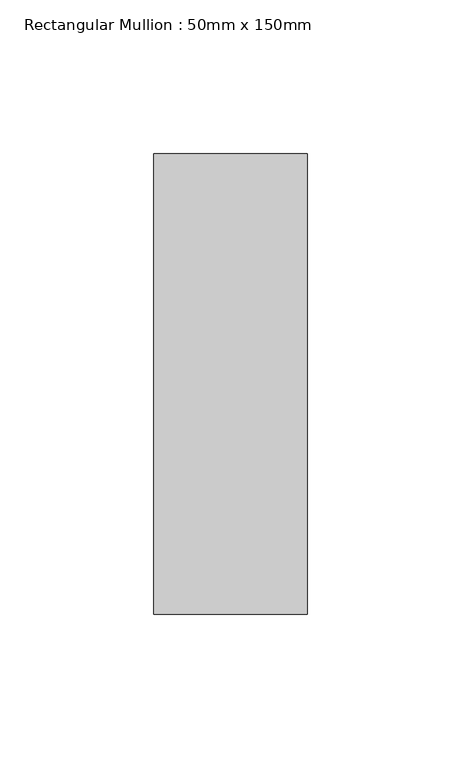
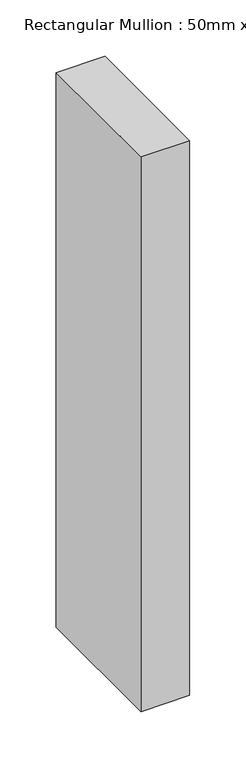
"""IFC4 building model written with IfcOpenShell, lengths in millimetres: member geometry, Rectangular Mullion : 50mm x 150mm."""

import ifcopenshell
import ifcopenshell.guid

model = None  # the IFC model being written
_history = None  # IfcOwnerHistory: only IFC2X3 demands one
_inside = {}  # id of a spatial element -> (the spatial element, [elements in it])
_under = {}  # id of a project, library or spatial element -> (it, [spatial elements below it])
_declared = {}  # id of a project -> (the project, [libraries it declares])
_typed = {}  # id of a type object -> (the type object, [elements of that type])
_made_of = {}  # id of a material, layer set ... -> (it, [elements and type objects made of it])


def new_model(schema):
    """Start an empty IFC model of exactly this schema.

    Asked for "IFC4X3", IfcOpenShell would pick the latest addendum, in which some entities
    have other attributes; the version numbers below select the first issue.
    IFC2X3 requires an IfcOwnerHistory on every rooted entity: one is made here for all.
    """
    global model, _history
    if schema == "IFC4X3":
        model = ifcopenshell.file(schema_version=(4, 3, 0, 0))
    else:
        model = ifcopenshell.file(schema=schema)
    _inside.clear()
    _under.clear()
    _declared.clear()
    _typed.clear()
    _made_of.clear()
    _history = None
    if model.schema == "IFC2X3":
        org = make("IfcOrganization", Name="unknown")
        user = make(
            "IfcPersonAndOrganization",
            ThePerson=make("IfcPerson", FamilyName="unknown"),
            TheOrganization=org,
        )
        app = make(
            "IfcApplication",
            ApplicationDeveloper=org,
            Version="unknown",
            ApplicationFullName="unknown",
            ApplicationIdentifier="unknown",
        )
        _history = make(
            "IfcOwnerHistory",
            OwningUser=user,
            OwningApplication=app,
            ChangeAction="ADDED",
            CreationDate=0,
        )
    return model


def make(cls, **values):
    """One entity of the class cls with the attributes given. An attribute that is None is left unset."""
    return model.create_entity(
        cls, **{name: value for name, value in values.items() if value is not None}
    )


def rooted(cls, **values):
    """An entity with a GlobalId (a new one), such as an element, a storey or a relation."""
    return make(cls, GlobalId=ifcopenshell.guid.new(), OwnerHistory=_history, **values)


def si_unit(unit_type, name, prefix=None):
    """IfcSIUnit, for example si_unit("LENGTHUNIT", "METRE", prefix="MILLI")."""
    return make("IfcSIUnit", UnitType=unit_type, Prefix=prefix, Name=name)


def assignment(units):
    """IfcUnitAssignment: the units of a project."""
    return None if units is None else make("IfcUnitAssignment", Units=units)


def point(xyz):
    """IfcCartesianPoint."""
    return None if xyz is None else make("IfcCartesianPoint", Coordinates=xyz)


def direction(xyz):
    """IfcDirection."""
    return None if xyz is None else make("IfcDirection", DirectionRatios=xyz)


def frame(location, z_axis=None, x_axis=None):
    """IfcAxis2Placement3D, a coordinate frame: its origin and axes. An axis left out is left unset."""
    return make(
        "IfcAxis2Placement3D",
        Location=point(location),
        Axis=direction(z_axis),
        RefDirection=direction(x_axis),
    )


def origin():
    """The frame at (0, 0, 0) with its axes left unset."""
    return frame((0.0, 0.0, 0.0))


def place(relative_to, where):
    """IfcLocalPlacement: puts the frame where relative to a parent placement (None: the world)."""
    return make(
        "IfcLocalPlacement", PlacementRelTo=relative_to, RelativePlacement=where
    )


def context(
    kind, dimensions, precision=None, world=None, true_north=None, identifier=None
):
    """IfcGeometricRepresentationContext, for example the 3D "Model" context."""
    return make(
        "IfcGeometricRepresentationContext",
        ContextIdentifier=identifier,
        ContextType=kind,
        CoordinateSpaceDimension=dimensions,
        Precision=precision,
        WorldCoordinateSystem=world,
        TrueNorth=true_north,
    )


def project(units=None, contexts=None):
    """IfcProject with its units and contexts."""
    return rooted(
        "IfcProject",
        Name="project",
        RepresentationContexts=contexts,
        UnitsInContext=assignment(units),
    )


def spatial(cls, under=None, at=None, **own):
    """A site, building, storey or space (cls), placed at a placement, below another one or the project."""
    s = rooted(cls, ObjectPlacement=at, **own)
    if under is not None:
        _under.setdefault(under.id(), (under, []))[1].append(s)
    return s


def polyline(points):
    """IfcPolyline through the points."""
    return make("IfcPolyline", Points=[point(p) for p in points])


def outline(outer, holes=None, kind="AREA"):
    """IfcArbitraryClosedProfileDef: a profile drawn as a closed curve; with holes, ...WithVoids."""
    if holes is None:
        return make("IfcArbitraryClosedProfileDef", ProfileType=kind, OuterCurve=outer)
    return make(
        "IfcArbitraryProfileDefWithVoids",
        ProfileType=kind,
        OuterCurve=outer,
        InnerCurves=holes,
    )


def extrude(swept, where, along, depth):
    """IfcExtrudedAreaSolid: the profile swept, set in the frame where, extruded along a direction by depth."""
    return make(
        "IfcExtrudedAreaSolid",
        SweptArea=swept,
        Position=where,
        ExtrudedDirection=direction(along),
        Depth=depth,
    )


def shape(context_of_items, identifier, shape_type, items):
    """IfcShapeRepresentation: the items that make up one representation, for example the "Body"."""
    return make(
        "IfcShapeRepresentation",
        ContextOfItems=context_of_items,
        RepresentationIdentifier=identifier,
        RepresentationType=shape_type,
        Items=items,
    )


def source(mapping_origin, context_of_items, identifier, shape_type, items):
    """IfcRepresentationMap: a shape defined once, which mapped items show again and again."""
    return make(
        "IfcRepresentationMap",
        MappingOrigin=mapping_origin,
        MappedRepresentation=shape(context_of_items, identifier, shape_type, items),
    )


def transform(
    local_origin,
    x_axis=None,
    y_axis=None,
    z_axis=None,
    scale=None,
    scale2=None,
    scale3=None,
    uniform=True,
):
    """IfcCartesianTransformationOperator3D, or its non-uniform kind. x_axis, y_axis, z_axis: its Axis1, 2, 3."""
    if uniform:
        return make(
            "IfcCartesianTransformationOperator3D",
            Axis1=direction(x_axis),
            Axis2=direction(y_axis),
            LocalOrigin=point(local_origin),
            Scale=scale,
            Axis3=direction(z_axis),
        )
    return make(
        "IfcCartesianTransformationOperator3DnonUniform",
        Axis1=direction(x_axis),
        Axis2=direction(y_axis),
        LocalOrigin=point(local_origin),
        Scale=scale,
        Axis3=direction(z_axis),
        Scale2=scale2,
        Scale3=scale3,
    )


def mapped(mapping_source, mapping_target):
    """IfcMappedItem: shows the shape of a source again, moved by a transform."""
    return make(
        "IfcMappedItem", MappingSource=mapping_source, MappingTarget=mapping_target
    )


def made_of(thing, what):
    """Note that an element or type object is made of a material, layer set ...; save() writes the relation."""
    if what is not None:
        _made_of.setdefault(what.id(), (what, []))[1].append(thing)
    return thing


def element(
    cls,
    number,
    at=None,
    inside=None,
    cuts=None,
    type_object=None,
    material=None,
    context=None,
    identifier="Body",
    shape_type=None,
    held_by="IfcProductDefinitionShape",
    body=None,
    shapes=None,
    **own,
):
    """One element of the class cls, such as IfcWall. Its Tag is "e" and its number.

    at: its placement. inside: the storey or other place that contains it. cuts: it is an
    opening in that element (IfcRelVoidsElement). A single representation is given by context,
    identifier, shape_type and body (its items); several are given by shapes. held_by: the class
    of the entity that holds the representations. save() writes the other relations.
    """
    e = rooted(cls, Tag="e%d" % number, ObjectPlacement=at, **own)
    if body is not None:
        shapes = [shape(context, identifier, shape_type, body)]
    if shapes is not None:
        e.Representation = make(held_by, Representations=shapes)
    if inside is not None:
        _inside.setdefault(inside.id(), (inside, []))[1].append(e)
    if cuts is not None:
        rooted(
            "IfcRelVoidsElement", RelatingBuildingElement=cuts, RelatedOpeningElement=e
        )
    if type_object is not None:
        _typed.setdefault(type_object.id(), (type_object, []))[1].append(e)
    return made_of(e, material)


def aggregate(whole, parts):
    """IfcRelAggregates: a whole, such as a stair, and the parts it consists of."""
    return rooted("IfcRelAggregates", RelatingObject=whole, RelatedObjects=parts)


def save(model, path):
    """Write the relations noted so far, then the file.

    IfcRelAggregates (storeys below a building ...), IfcRelContainedInSpatialStructure (elements
    in a storey), IfcRelDefinesByType, IfcRelAssociatesMaterial and IfcRelDeclares: one each for
    every whole, place, type object, material and project.
    """
    for whole, parts in _under.values():
        aggregate(whole, parts)
    for where, things in _inside.values():
        rooted(
            "IfcRelContainedInSpatialStructure",
            RelatedElements=things,
            RelatingStructure=where,
        )
    for kind, things in _typed.values():
        rooted("IfcRelDefinesByType", RelatedObjects=things, RelatingType=kind)
    for what, things in _made_of.values():
        rooted("IfcRelAssociatesMaterial", RelatedObjects=things, RelatingMaterial=what)
    for by, libraries in _declared.values():
        rooted("IfcRelDeclares", RelatingContext=by, RelatedDefinitions=libraries)
    model.write(path)


def rectangular_mullion_50mm_x_150mm_64d38db8(model_context):
    return source(origin(), model_context, "Body", "SweptSolid", [
        extrude(outline(polyline([(0.0, 75.0), (0.0, -75.0), (-50.0, -75.0), (-50.0, 75.0), (0.0, 75.0)])), frame((0.0, 0.0, -600.0), z_axis=(0.0, 0.0, 1.0), x_axis=(1.0, 0.0, 0.0)), (0.0, 0.0, 1.0), 600.0),
    ])


if __name__ == "__main__":
    model = new_model("IFC4")
    model_context = context("Model", 3, world=origin())
    ifc_project = project(units=[si_unit("LENGTHUNIT", "METRE", prefix="MILLI")], contexts=[model_context])
    site = spatial("IfcSite", under=ifc_project)
    building = spatial("IfcBuilding", under=site)
    placement = place(None, origin())
    rectangular_mullion_50mm_x_150mm_shape = rectangular_mullion_50mm_x_150mm_64d38db8(model_context)
    element("IfcMember", 1, ObjectType="Rectangular Mullion : 50mm x 150mm", at=placement, inside=building, context=model_context, shape_type="MappedRepresentation", body=[
        mapped(rectangular_mullion_50mm_x_150mm_shape, transform((0.0, 0.0, 0.0), x_axis=(1.0, 0.0, 0.0), y_axis=(0.0, 1.0, 0.0), z_axis=(0.0, 0.0, 1.0))),
    ])
    save(model, "model.ifc")
